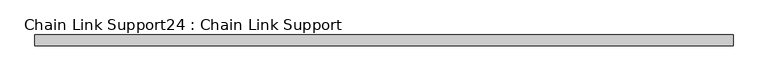
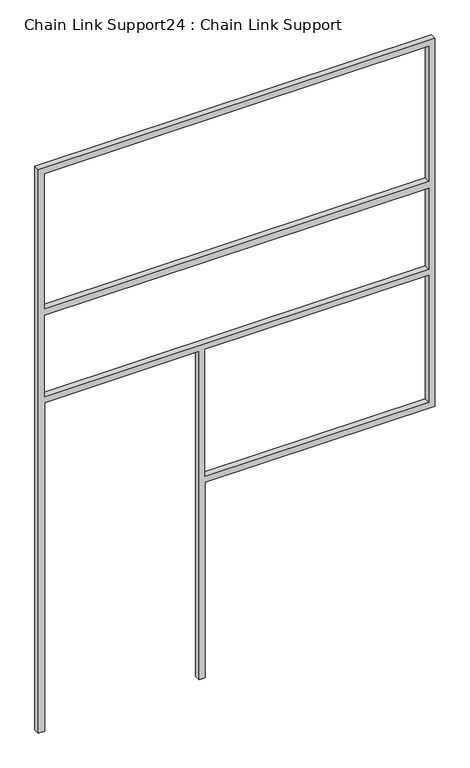
"""IFC4 building model written with IfcOpenShell, lengths in millimetres: proxy geometry, Chain Link Support24 : Chain Link Support."""

import ifcopenshell
import ifcopenshell.guid

model = None  # the IFC model being written
_history = None  # IfcOwnerHistory: only IFC2X3 demands one
_inside = {}  # id of a spatial element -> (the spatial element, [elements in it])
_under = {}  # id of a project, library or spatial element -> (it, [spatial elements below it])
_declared = {}  # id of a project -> (the project, [libraries it declares])
_typed = {}  # id of a type object -> (the type object, [elements of that type])
_made_of = {}  # id of a material, layer set ... -> (it, [elements and type objects made of it])


def new_model(schema):
    """Start an empty IFC model of exactly this schema.

    Asked for "IFC4X3", IfcOpenShell would pick the latest addendum, in which some entities
    have other attributes; the version numbers below select the first issue.
    IFC2X3 requires an IfcOwnerHistory on every rooted entity: one is made here for all.
    """
    global model, _history
    if schema == "IFC4X3":
        model = ifcopenshell.file(schema_version=(4, 3, 0, 0))
    else:
        model = ifcopenshell.file(schema=schema)
    _inside.clear()
    _under.clear()
    _declared.clear()
    _typed.clear()
    _made_of.clear()
    _history = None
    if model.schema == "IFC2X3":
        org = make("IfcOrganization", Name="unknown")
        user = make(
            "IfcPersonAndOrganization",
            ThePerson=make("IfcPerson", FamilyName="unknown"),
            TheOrganization=org,
        )
        app = make(
            "IfcApplication",
            ApplicationDeveloper=org,
            Version="unknown",
            ApplicationFullName="unknown",
            ApplicationIdentifier="unknown",
        )
        _history = make(
            "IfcOwnerHistory",
            OwningUser=user,
            OwningApplication=app,
            ChangeAction="ADDED",
            CreationDate=0,
        )
    return model


def make(cls, **values):
    """One entity of the class cls with the attributes given. An attribute that is None is left unset."""
    return model.create_entity(
        cls, **{name: value for name, value in values.items() if value is not None}
    )


def rooted(cls, **values):
    """An entity with a GlobalId (a new one), such as an element, a storey or a relation."""
    return make(cls, GlobalId=ifcopenshell.guid.new(), OwnerHistory=_history, **values)


def si_unit(unit_type, name, prefix=None):
    """IfcSIUnit, for example si_unit("LENGTHUNIT", "METRE", prefix="MILLI")."""
    return make("IfcSIUnit", UnitType=unit_type, Prefix=prefix, Name=name)


def assignment(units):
    """IfcUnitAssignment: the units of a project."""
    return None if units is None else make("IfcUnitAssignment", Units=units)


def point(xyz):
    """IfcCartesianPoint."""
    return None if xyz is None else make("IfcCartesianPoint", Coordinates=xyz)


def direction(xyz):
    """IfcDirection."""
    return None if xyz is None else make("IfcDirection", DirectionRatios=xyz)


def frame(location, z_axis=None, x_axis=None):
    """IfcAxis2Placement3D, a coordinate frame: its origin and axes. An axis left out is left unset."""
    return make(
        "IfcAxis2Placement3D",
        Location=point(location),
        Axis=direction(z_axis),
        RefDirection=direction(x_axis),
    )


def origin():
    """The frame at (0, 0, 0) with its axes left unset."""
    return frame((0.0, 0.0, 0.0))


def place(relative_to, where):
    """IfcLocalPlacement: puts the frame where relative to a parent placement (None: the world)."""
    return make(
        "IfcLocalPlacement", PlacementRelTo=relative_to, RelativePlacement=where
    )


def context(
    kind, dimensions, precision=None, world=None, true_north=None, identifier=None
):
    """IfcGeometricRepresentationContext, for example the 3D "Model" context."""
    return make(
        "IfcGeometricRepresentationContext",
        ContextIdentifier=identifier,
        ContextType=kind,
        CoordinateSpaceDimension=dimensions,
        Precision=precision,
        WorldCoordinateSystem=world,
        TrueNorth=true_north,
    )


def project(units=None, contexts=None):
    """IfcProject with its units and contexts."""
    return rooted(
        "IfcProject",
        Name="project",
        RepresentationContexts=contexts,
        UnitsInContext=assignment(units),
    )


def spatial(cls, under=None, at=None, **own):
    """A site, building, storey or space (cls), placed at a placement, below another one or the project."""
    s = rooted(cls, ObjectPlacement=at, **own)
    if under is not None:
        _under.setdefault(under.id(), (under, []))[1].append(s)
    return s


def polyline(points):
    """IfcPolyline through the points."""
    return make("IfcPolyline", Points=[point(p) for p in points])


def outline(outer, holes=None, kind="AREA"):
    """IfcArbitraryClosedProfileDef: a profile drawn as a closed curve; with holes, ...WithVoids."""
    if holes is None:
        return make("IfcArbitraryClosedProfileDef", ProfileType=kind, OuterCurve=outer)
    return make(
        "IfcArbitraryProfileDefWithVoids",
        ProfileType=kind,
        OuterCurve=outer,
        InnerCurves=holes,
    )


def extrude(swept, where, along, depth):
    """IfcExtrudedAreaSolid: the profile swept, set in the frame where, extruded along a direction by depth."""
    return make(
        "IfcExtrudedAreaSolid",
        SweptArea=swept,
        Position=where,
        ExtrudedDirection=direction(along),
        Depth=depth,
    )


def shape(context_of_items, identifier, shape_type, items):
    """IfcShapeRepresentation: the items that make up one representation, for example the "Body"."""
    return make(
        "IfcShapeRepresentation",
        ContextOfItems=context_of_items,
        RepresentationIdentifier=identifier,
        RepresentationType=shape_type,
        Items=items,
    )


def source(mapping_origin, context_of_items, identifier, shape_type, items):
    """IfcRepresentationMap: a shape defined once, which mapped items show again and again."""
    return make(
        "IfcRepresentationMap",
        MappingOrigin=mapping_origin,
        MappedRepresentation=shape(context_of_items, identifier, shape_type, items),
    )


def transform(
    local_origin,
    x_axis=None,
    y_axis=None,
    z_axis=None,
    scale=None,
    scale2=None,
    scale3=None,
    uniform=True,
):
    """IfcCartesianTransformationOperator3D, or its non-uniform kind. x_axis, y_axis, z_axis: its Axis1, 2, 3."""
    if uniform:
        return make(
            "IfcCartesianTransformationOperator3D",
            Axis1=direction(x_axis),
            Axis2=direction(y_axis),
            LocalOrigin=point(local_origin),
            Scale=scale,
            Axis3=direction(z_axis),
        )
    return make(
        "IfcCartesianTransformationOperator3DnonUniform",
        Axis1=direction(x_axis),
        Axis2=direction(y_axis),
        LocalOrigin=point(local_origin),
        Scale=scale,
        Axis3=direction(z_axis),
        Scale2=scale2,
        Scale3=scale3,
    )


def mapped(mapping_source, mapping_target):
    """IfcMappedItem: shows the shape of a source again, moved by a transform."""
    return make(
        "IfcMappedItem", MappingSource=mapping_source, MappingTarget=mapping_target
    )


def made_of(thing, what):
    """Note that an element or type object is made of a material, layer set ...; save() writes the relation."""
    if what is not None:
        _made_of.setdefault(what.id(), (what, []))[1].append(thing)
    return thing


def element(
    cls,
    number,
    at=None,
    inside=None,
    cuts=None,
    type_object=None,
    material=None,
    context=None,
    identifier="Body",
    shape_type=None,
    held_by="IfcProductDefinitionShape",
    body=None,
    shapes=None,
    **own,
):
    """One element of the class cls, such as IfcWall. Its Tag is "e" and its number.

    at: its placement. inside: the storey or other place that contains it. cuts: it is an
    opening in that element (IfcRelVoidsElement). A single representation is given by context,
    identifier, shape_type and body (its items); several are given by shapes. held_by: the class
    of the entity that holds the representations. save() writes the other relations.
    """
    e = rooted(cls, Tag="e%d" % number, ObjectPlacement=at, **own)
    if body is not None:
        shapes = [shape(context, identifier, shape_type, body)]
    if shapes is not None:
        e.Representation = make(held_by, Representations=shapes)
    if inside is not None:
        _inside.setdefault(inside.id(), (inside, []))[1].append(e)
    if cuts is not None:
        rooted(
            "IfcRelVoidsElement", RelatingBuildingElement=cuts, RelatedOpeningElement=e
        )
    if type_object is not None:
        _typed.setdefault(type_object.id(), (type_object, []))[1].append(e)
    return made_of(e, material)


def aggregate(whole, parts):
    """IfcRelAggregates: a whole, such as a stair, and the parts it consists of."""
    return rooted("IfcRelAggregates", RelatingObject=whole, RelatedObjects=parts)


def save(model, path):
    """Write the relations noted so far, then the file.

    IfcRelAggregates (storeys below a building ...), IfcRelContainedInSpatialStructure (elements
    in a storey), IfcRelDefinesByType, IfcRelAssociatesMaterial and IfcRelDeclares: one each for
    every whole, place, type object, material and project.
    """
    for whole, parts in _under.values():
        aggregate(whole, parts)
    for where, things in _inside.values():
        rooted(
            "IfcRelContainedInSpatialStructure",
            RelatedElements=things,
            RelatingStructure=where,
        )
    for kind, things in _typed.values():
        rooted("IfcRelDefinesByType", RelatedObjects=things, RelatingType=kind)
    for what, things in _made_of.values():
        rooted("IfcRelAssociatesMaterial", RelatedObjects=things, RelatingMaterial=what)
    for by, libraries in _declared.values():
        rooted("IfcRelDeclares", RelatingContext=by, RelatedDefinitions=libraries)
    model.write(path)


def chain_link_support24_chain_link_support_b5e3c446(model_context):
    return source(origin(), model_context, "Body", "SweptSolid", [
        extrude(outline(polyline([(3657.6, -10883.9098205), (0.0, -10883.9098205), (0.0, -10845.8098205), (2133.6, -10845.8098205), (2133.6, -9896.4848205), (0.0, -9896.4848205), (0.0, -9858.3848205), (1270.0, -9858.3848205), (1270.0, -8445.5098205), (3657.6, -8445.5098205), (3657.6, -10883.9098205)]), holes=[polyline([(2743.2, -10845.8098205), (3619.5, -10845.8098205), (3619.5, -8483.6098205), (2743.2, -8483.6098205), (2743.2, -10845.8098205)]), polyline([(1308.1, -8483.6098205), (1308.1, -9858.3848205), (2133.6, -9858.3848205), (2133.6, -8483.6098205), (1308.1, -8483.6098205)]), polyline([(2171.7, -10845.8098205), (2698.75, -10845.8098205), (2698.75, -8483.6098205), (2171.7, -8483.6098205), (2171.7, -10845.8098205)])]), frame((0.0, -1105.857317, 0.0), z_axis=(0.0, 1.0, 0.0), x_axis=(0.0, 0.0, 1.0)), (0.0, 0.0, 1.0), 38.1),
    ])


if __name__ == "__main__":
    model = new_model("IFC4")
    model_context = context("Model", 3, world=origin())
    ifc_project = project(units=[si_unit("LENGTHUNIT", "METRE", prefix="MILLI")], contexts=[model_context])
    site = spatial("IfcSite", under=ifc_project)
    building = spatial("IfcBuilding", under=site)
    placement = place(None, origin())
    chain_link_support24_chain_link_support_shape = chain_link_support24_chain_link_support_b5e3c446(model_context)
    element("IfcBuildingElementProxy", 1, Name="Chain Link Support24 : Chain Link Support", ObjectType="Chain Link Support24 : Chain Link Support", at=placement, inside=building, context=model_context, shape_type="MappedRepresentation", body=[
        mapped(chain_link_support24_chain_link_support_shape, transform((0.0, 0.0, 0.0), x_axis=(1.0, 0.0, 0.0), y_axis=(0.0, 1.0, 0.0), z_axis=(0.0, 0.0, 1.0))),
    ])
    save(model, "model.ifc")
